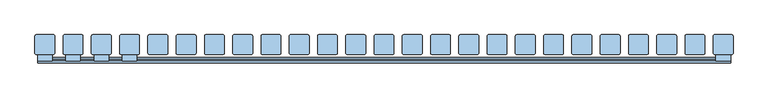
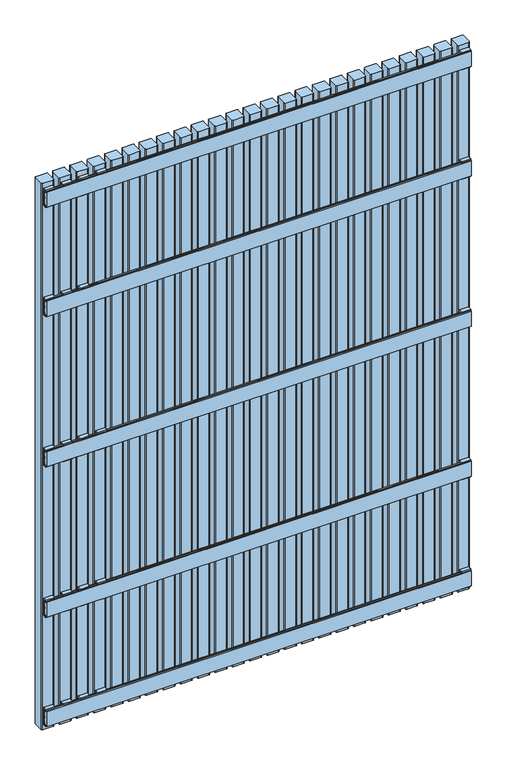
"""IFC4 building model written with IfcOpenShell, lengths in millimetres: window geometry."""

from ifc_helpers import new_model, si_unit, point, frame, frame_2d, origin, place, context, project, spatial, polyline, circle_curve, trimmed, segment, composite_curve, outline, extrude, source, transform, mapped, element, save


def window_5a049e01(model_context):
    return source(origin(), model_context, "Body", "SweptSolid", [
        extrude(outline(polyline([(110.1, 1126.5936804), (105.9, 1126.5936804), (105.9, 1122.5936804), (102.1, 1122.5936804), (102.1, 1130.5), (116.0, 1130.5), (116.0, 1067.5), (102.1, 1067.5), (102.1, 1075.4063196), (105.9, 1075.4063196), (105.9, 1071.4063196), (110.1, 1071.4063196), (110.1, 1126.5936804)])), frame((-555.5, 0.0, 0.0), z_axis=(1.0, 0.0, 0.0), x_axis=(0.0, 1.0, 0.0)), (0.0, 0.0, 1.0), 31.0),
        extrude(outline(polyline([(110.1, 576.5936804), (105.9, 576.5936804), (105.9, 572.5936804), (102.1, 572.5936804), (102.1, 580.5), (116.0, 580.5), (116.0, 517.5), (102.1, 517.5), (102.1, 525.4063196), (105.9, 525.4063196), (105.9, 521.4063196), (110.1, 521.4063196), (110.1, 576.5936804)])), frame((-555.5, 0.0, 0.0), z_axis=(1.0, 0.0, 0.0), x_axis=(0.0, 1.0, 0.0)), (0.0, 0.0, 1.0), 31.0),
        extrude(outline(polyline([(110.1, 2020.9063196), (110.1, 2076.0936804), (105.9, 2076.0936804), (105.9, 2072.0936804), (102.1, 2072.0936804), (102.1, 2080.0), (116.0, 2080.0), (116.0, 2017.0), (102.1, 2017.0), (102.1, 2024.9063196), (105.9, 2024.9063196), (105.9, 2020.9063196), (110.1, 2020.9063196)])), frame((-555.5, 0.0, 0.0), z_axis=(1.0, 0.0, 0.0), x_axis=(0.0, 1.0, 0.0)), (0.0, 0.0, 1.0), 31.0),
        extrude(outline(polyline([(110.1, 177.0936804), (105.9, 177.0936804), (105.9, 173.0936804), (102.1, 173.0936804), (102.1, 181.0), (116.0, 181.0), (116.0, 118.0), (102.1, 118.0), (102.1, 125.9063196), (105.9, 125.9063196), (105.9, 121.9063196), (110.1, 121.9063196), (110.1, 177.0936804)])), frame((-555.5, 0.0, 0.0), z_axis=(1.0, 0.0, 0.0), x_axis=(0.0, 1.0, 0.0)), (0.0, 0.0, 1.0), 31.0),
        extrude(outline(polyline([(110.1, 1676.5936804), (105.9, 1676.5936804), (105.9, 1672.5936804), (102.1, 1672.5936804), (102.1, 1680.5), (116.0, 1680.5), (116.0, 1617.5), (102.1, 1617.5), (102.1, 1625.4063196), (105.9, 1625.4063196), (105.9, 1621.4063196), (110.1, 1621.4063196), (110.1, 1676.5936804)])), frame((-615.5, 0.0, 0.0), z_axis=(1.0, 0.0, 0.0), x_axis=(0.0, 1.0, 0.0)), (0.0, 0.0, 1.0), 31.0),
        extrude(outline(polyline([(110.1, 1126.5936804), (105.9, 1126.5936804), (105.9, 1122.5936804), (102.1, 1122.5936804), (102.1, 1130.5), (116.0, 1130.5), (116.0, 1067.5), (102.1, 1067.5), (102.1, 1075.4063196), (105.9, 1075.4063196), (105.9, 1071.4063196), (110.1, 1071.4063196), (110.1, 1126.5936804)])), frame((-615.5, 0.0, 0.0), z_axis=(1.0, 0.0, 0.0), x_axis=(0.0, 1.0, 0.0)), (0.0, 0.0, 1.0), 31.0),
        extrude(outline(polyline([(110.1, 576.5936804), (105.9, 576.5936804), (105.9, 572.5936804), (102.1, 572.5936804), (102.1, 580.5), (116.0, 580.5), (116.0, 517.5), (102.1, 517.5), (102.1, 525.4063196), (105.9, 525.4063196), (105.9, 521.4063196), (110.1, 521.4063196), (110.1, 576.5936804)])), frame((-615.5, 0.0, 0.0), z_axis=(1.0, 0.0, 0.0), x_axis=(0.0, 1.0, 0.0)), (0.0, 0.0, 1.0), 31.0),
        extrude(outline(polyline([(110.1, 2020.9063196), (110.1, 2076.0936804), (105.9, 2076.0936804), (105.9, 2072.0936804), (102.1, 2072.0936804), (102.1, 2080.0), (116.0, 2080.0), (116.0, 2017.0), (102.1, 2017.0), (102.1, 2024.9063196), (105.9, 2024.9063196), (105.9, 2020.9063196), (110.1, 2020.9063196)])), frame((-615.5, 0.0, 0.0), z_axis=(1.0, 0.0, 0.0), x_axis=(0.0, 1.0, 0.0)), (0.0, 0.0, 1.0), 31.0),
        extrude(outline(polyline([(110.1, 177.0936804), (105.9, 177.0936804), (105.9, 173.0936804), (102.1, 173.0936804), (102.1, 181.0), (116.0, 181.0), (116.0, 118.0), (102.1, 118.0), (102.1, 125.9063196), (105.9, 125.9063196), (105.9, 121.9063196), (110.1, 121.9063196), (110.1, 177.0936804)])), frame((-615.5, 0.0, 0.0), z_axis=(1.0, 0.0, 0.0), x_axis=(0.0, 1.0, 0.0)), (0.0, 0.0, 1.0), 31.0),
        extrude(outline(polyline([(110.1, 1676.5936804), (105.9, 1676.5936804), (105.9, 1672.5936804), (102.1, 1672.5936804), (102.1, 1680.5), (116.0, 1680.5), (116.0, 1617.5), (102.1, 1617.5), (102.1, 1625.4063196), (105.9, 1625.4063196), (105.9, 1621.4063196), (110.1, 1621.4063196), (110.1, 1676.5936804)])), frame((-675.5, 0.0, 0.0), z_axis=(1.0, 0.0, 0.0), x_axis=(0.0, 1.0, 0.0)), (0.0, 0.0, 1.0), 31.0),
        extrude(outline(polyline([(110.1, 1126.5936804), (105.9, 1126.5936804), (105.9, 1122.5936804), (102.1, 1122.5936804), (102.1, 1130.5), (116.0, 1130.5), (116.0, 1067.5), (102.1, 1067.5), (102.1, 1075.4063196), (105.9, 1075.4063196), (105.9, 1071.4063196), (110.1, 1071.4063196), (110.1, 1126.5936804)])), frame((-675.5, 0.0, 0.0), z_axis=(1.0, 0.0, 0.0), x_axis=(0.0, 1.0, 0.0)), (0.0, 0.0, 1.0), 31.0),
        extrude(outline(polyline([(110.1, 576.5936804), (105.9, 576.5936804), (105.9, 572.5936804), (102.1, 572.5936804), (102.1, 580.5), (116.0, 580.5), (116.0, 517.5), (102.1, 517.5), (102.1, 525.4063196), (105.9, 525.4063196), (105.9, 521.4063196), (110.1, 521.4063196), (110.1, 576.5936804)])), frame((-675.5, 0.0, 0.0), z_axis=(1.0, 0.0, 0.0), x_axis=(0.0, 1.0, 0.0)), (0.0, 0.0, 1.0), 31.0),
        extrude(outline(polyline([(110.1, 2020.9063196), (110.1, 2076.0936804), (105.9, 2076.0936804), (105.9, 2072.0936804), (102.1, 2072.0936804), (102.1, 2080.0), (116.0, 2080.0), (116.0, 2017.0), (102.1, 2017.0), (102.1, 2024.9063196), (105.9, 2024.9063196), (105.9, 2020.9063196), (110.1, 2020.9063196)])), frame((-675.5, 0.0, 0.0), z_axis=(1.0, 0.0, 0.0), x_axis=(0.0, 1.0, 0.0)), (0.0, 0.0, 1.0), 31.0),
        extrude(outline(polyline([(110.1, 177.0936804), (105.9, 177.0936804), (105.9, 173.0936804), (102.1, 173.0936804), (102.1, 181.0), (116.0, 181.0), (116.0, 118.0), (102.1, 118.0), (102.1, 125.9063196), (105.9, 125.9063196), (105.9, 121.9063196), (110.1, 121.9063196), (110.1, 177.0936804)])), frame((-675.5, 0.0, 0.0), z_axis=(1.0, 0.0, 0.0), x_axis=(0.0, 1.0, 0.0)), (0.0, 0.0, 1.0), 31.0),
        extrude(outline(polyline([(110.1, 1621.4063196), (110.1, 1676.5936804), (105.9, 1676.5936804), (105.9, 1672.5936804), (102.1, 1672.5936804), (102.1, 1680.5), (116.0, 1680.5), (116.0, 1617.5), (102.1, 1617.5), (102.1, 1625.4063196), (105.9, 1625.4063196), (105.9, 1621.4063196), (110.1, 1621.4063196)])), frame((704.5, 0.0, 0.0), z_axis=(1.0, 0.0, 0.0), x_axis=(0.0, 1.0, 0.0)), (0.0, 0.0, 1.0), 31.0),
        extrude(outline(polyline([(110.1, 1071.4063196), (110.1, 1126.5936804), (105.9, 1126.5936804), (105.9, 1122.5936804), (102.1, 1122.5936804), (102.1, 1130.5), (116.0, 1130.5), (116.0, 1067.5), (102.1, 1067.5), (102.1, 1075.4063196), (105.9, 1075.4063196), (105.9, 1071.4063196), (110.1, 1071.4063196)])), frame((704.5, 0.0, 0.0), z_axis=(1.0, 0.0, 0.0), x_axis=(0.0, 1.0, 0.0)), (0.0, 0.0, 1.0), 31.0),
        extrude(outline(polyline([(110.1, 521.4063196), (110.1, 576.5936804), (105.9, 576.5936804), (105.9, 572.5936804), (102.1, 572.5936804), (102.1, 580.5), (116.0, 580.5), (116.0, 517.5), (102.1, 517.5), (102.1, 525.4063196), (105.9, 525.4063196), (105.9, 521.4063196), (110.1, 521.4063196)])), frame((704.5, 0.0, 0.0), z_axis=(1.0, 0.0, 0.0), x_axis=(0.0, 1.0, 0.0)), (0.0, 0.0, 1.0), 31.0),
        extrude(outline(polyline([(110.1, 2020.9063196), (110.1, 2076.0936804), (105.9, 2076.0936804), (105.9, 2072.0936804), (102.1, 2072.0936804), (102.1, 2080.0), (116.0, 2080.0), (116.0, 2017.0), (102.1, 2017.0), (102.1, 2024.9063196), (105.9, 2024.9063196), (105.9, 2020.9063196), (110.1, 2020.9063196)])), frame((704.5, 0.0, 0.0), z_axis=(1.0, 0.0, 0.0), x_axis=(0.0, 1.0, 0.0)), (0.0, 0.0, 1.0), 31.0),
        extrude(outline(polyline([(110.1, 177.0936804), (105.9, 177.0936804), (105.9, 173.0936804), (102.1, 173.0936804), (102.1, 181.0), (116.0, 181.0), (116.0, 118.0), (102.1, 118.0), (102.1, 125.9063196), (105.9, 125.9063196), (105.9, 121.9063196), (110.1, 121.9063196), (110.1, 177.0936804)])), frame((704.5, 0.0, 0.0), z_axis=(1.0, 0.0, 0.0), x_axis=(0.0, 1.0, 0.0)), (0.0, 0.0, 1.0), 31.0),
        extrude(outline(polyline([(110.1, 1621.4063196), (110.1, 1676.5936804), (105.9, 1676.5936804), (105.9, 1672.5936804), (102.1, 1672.5936804), (102.1, 1680.5), (116.0, 1680.5), (116.0, 1617.5), (102.1, 1617.5), (102.1, 1625.4063196), (105.9, 1625.4063196), (105.9, 1621.4063196), (110.1, 1621.4063196)])), frame((-735.5, 0.0, 0.0), z_axis=(1.0, 0.0, 0.0), x_axis=(0.0, 1.0, 0.0)), (0.0, 0.0, 1.0), 31.0),
        extrude(outline(polyline([(110.1, 1071.4063196), (110.1, 1126.5936804), (105.9, 1126.5936804), (105.9, 1122.5936804), (102.1, 1122.5936804), (102.1, 1130.5), (116.0, 1130.5), (116.0, 1067.5), (102.1, 1067.5), (102.1, 1075.4063196), (105.9, 1075.4063196), (105.9, 1071.4063196), (110.1, 1071.4063196)])), frame((-735.5, 0.0, 0.0), z_axis=(1.0, 0.0, 0.0), x_axis=(0.0, 1.0, 0.0)), (0.0, 0.0, 1.0), 31.0),
        extrude(outline(polyline([(110.1, 521.4063196), (110.1, 576.5936804), (105.9, 576.5936804), (105.9, 572.5936804), (102.1, 572.5936804), (102.1, 580.5), (116.0, 580.5), (116.0, 517.5), (102.1, 517.5), (102.1, 525.4063196), (105.9, 525.4063196), (105.9, 521.4063196), (110.1, 521.4063196)])), frame((-735.5, 0.0, 0.0), z_axis=(1.0, 0.0, 0.0), x_axis=(0.0, 1.0, 0.0)), (0.0, 0.0, 1.0), 31.0),
        extrude(outline(polyline([(110.1, 2020.9063196), (110.1, 2076.0936804), (105.9, 2076.0936804), (105.9, 2072.0936804), (102.1, 2072.0936804), (102.1, 2080.0), (116.0, 2080.0), (116.0, 2017.0), (102.1, 2017.0), (102.1, 2024.9063196), (105.9, 2024.9063196), (105.9, 2020.9063196), (110.1, 2020.9063196)])), frame((-735.5, 0.0, 0.0), z_axis=(1.0, 0.0, 0.0), x_axis=(0.0, 1.0, 0.0)), (0.0, 0.0, 1.0), 31.0),
        extrude(outline(polyline([(110.1, 177.0936804), (105.9, 177.0936804), (105.9, 173.0936804), (102.1, 173.0936804), (102.1, 181.0), (116.0, 181.0), (116.0, 118.0), (102.1, 118.0), (102.1, 125.9063196), (105.9, 125.9063196), (105.9, 121.9063196), (110.1, 121.9063196), (110.1, 177.0936804)])), frame((-735.5, 0.0, 0.0), z_axis=(1.0, 0.0, 0.0), x_axis=(0.0, 1.0, 0.0)), (0.0, 0.0, 1.0), 31.0),
        extrude(outline(polyline([(98.0, 1676.5063196), (102.0, 1676.5063196), (102.0, 1672.5063196), (106.0, 1672.5063196), (106.0, 1676.5063196), (110.0, 1676.5063196), (110.0, 1671.5063196), (107.0, 1671.5063196), (107.0, 1666.5063196), (110.0, 1666.5063196), (110.0, 1654.0063196), (107.0, 1654.0063196), (107.0, 1644.0063196), (110.0, 1644.0063196), (110.0, 1631.5063196), (107.0, 1631.5063196), (107.0, 1626.5063196), (110.0, 1626.5063196), (110.0, 1621.5063196), (106.0, 1621.5063196), (106.0, 1625.5063196), (102.0, 1625.5063196), (102.0, 1621.5063196), (98.0, 1621.5063196), (98.0, 1676.5063196)])), frame((-735.5, 0.0, 0.0), z_axis=(1.0, 0.0, 0.0), x_axis=(0.0, 1.0, 0.0)), (0.0, 0.0, 1.0), 1471.0),
        extrude(outline(polyline([(98.0, 1126.5063196), (102.0, 1126.5063196), (102.0, 1122.5063196), (106.0, 1122.5063196), (106.0, 1126.5063196), (110.0, 1126.5063196), (110.0, 1121.5063196), (107.0, 1121.5063196), (107.0, 1116.5063196), (110.0, 1116.5063196), (110.0, 1104.0063196), (107.0, 1104.0063196), (107.0, 1094.0063196), (110.0, 1094.0063196), (110.0, 1081.5063196), (107.0, 1081.5063196), (107.0, 1076.5063196), (110.0, 1076.5063196), (110.0, 1071.5063196), (106.0, 1071.5063196), (106.0, 1075.5063196), (102.0, 1075.5063196), (102.0, 1071.5063196), (98.0, 1071.5063196), (98.0, 1126.5063196)])), frame((-735.5, 0.0, 0.0), z_axis=(1.0, 0.0, 0.0), x_axis=(0.0, 1.0, 0.0)), (0.0, 0.0, 1.0), 1471.0),
        extrude(outline(polyline([(98.0, 576.5063196), (102.0, 576.5063196), (102.0, 572.5063196), (106.0, 572.5063196), (106.0, 576.5063196), (110.0, 576.5063196), (110.0, 571.5063196), (107.0, 571.5063196), (107.0, 566.5063196), (110.0, 566.5063196), (110.0, 554.0063196), (107.0, 554.0063196), (107.0, 544.0063196), (110.0, 544.0063196), (110.0, 531.5063196), (107.0, 531.5063196), (107.0, 526.5063196), (110.0, 526.5063196), (110.0, 521.5063196), (106.0, 521.5063196), (106.0, 525.5063196), (102.0, 525.5063196), (102.0, 521.5063196), (98.0, 521.5063196), (98.0, 576.5063196)])), frame((-735.5, 0.0, 0.0), z_axis=(1.0, 0.0, 0.0), x_axis=(0.0, 1.0, 0.0)), (0.0, 0.0, 1.0), 1471.0),
        extrude(outline(polyline([(98.0, 2076.0), (102.0, 2076.0), (102.0, 2072.0), (106.0, 2072.0), (106.0, 2076.0), (110.0, 2076.0), (110.0, 2071.0), (107.0, 2071.0), (107.0, 2066.0), (110.0, 2066.0), (110.0, 2053.5), (107.0, 2053.5), (107.0, 2043.5), (110.0, 2043.5), (110.0, 2031.0), (107.0, 2031.0), (107.0, 2026.0), (110.0, 2026.0), (110.0, 2021.0), (106.0, 2021.0), (106.0, 2025.0), (102.0, 2025.0), (102.0, 2021.0), (98.0, 2021.0), (98.0, 2076.0)])), frame((-735.5, 0.0, 0.0), z_axis=(1.0, 0.0, 0.0), x_axis=(0.0, 1.0, 0.0)), (0.0, 0.0, 1.0), 1471.0),
        extrude(outline(polyline([(98.0, 177.0), (102.0, 177.0), (102.0, 173.0), (106.0, 173.0), (106.0, 177.0), (110.0, 177.0), (110.0, 172.0), (107.0, 172.0), (107.0, 167.0), (110.0, 167.0), (110.0, 154.5), (107.0, 154.5), (107.0, 144.5), (110.0, 144.5), (110.0, 132.0), (107.0, 132.0), (107.0, 127.0), (110.0, 127.0), (110.0, 122.0), (106.0, 122.0), (106.0, 126.0), (102.0, 126.0), (102.0, 122.0), (98.0, 122.0), (98.0, 177.0)])), frame((-735.5, 0.0, 0.0), z_axis=(1.0, 0.0, 0.0), x_axis=(0.0, 1.0, 0.0)), (0.0, 0.0, 1.0), 1471.0),
        extrude(outline(composite_curve([segment(polyline([(740.995806, 155.0), (740.995806, 119.0)]), True, "CONTINUOUS"), segment(trimmed(circle_curve(frame_2d((737.995806, 119.0)), 3.0), [point((740.995806, 119.0))], [point((737.995806, 116.0))], False, "CARTESIAN"), True, "CONTINUOUS"), segment(polyline([(737.995806, 116.0), (701.995806, 116.0)]), True, "CONTINUOUS"), segment(trimmed(circle_curve(frame_2d((701.995806, 119.0)), 3.0), [point((701.995806, 116.0))], [point((698.995806, 119.0))], False, "CARTESIAN"), True, "CONTINUOUS"), segment(polyline([(698.995806, 119.0), (698.995806, 155.0)]), True, "CONTINUOUS"), segment(trimmed(circle_curve(frame_2d((701.995806, 155.0)), 3.0), [point((698.995806, 155.0))], [point((701.995806, 158.0))], False, "CARTESIAN"), True, "CONTINUOUS"), segment(polyline([(701.995806, 158.0), (737.995806, 158.0)]), True, "CONTINUOUS"), segment(trimmed(circle_curve(frame_2d((737.995806, 155.0)), 3.0), [point((737.995806, 158.0))], [point((740.995806, 155.0))], False, "CARTESIAN"), True, "CONTINUOUS")], self_intersect=False)), frame((0.0, 0.0, 100.0), z_axis=(0.0, 0.0, 1.0), x_axis=(1.0, 0.0, 0.0)), (0.0, 0.0, 1.0), 1998.0),
        extrude(outline(composite_curve([segment(polyline([(680.995806, 155.0), (680.995806, 119.0)]), True, "CONTINUOUS"), segment(trimmed(circle_curve(frame_2d((677.995806, 119.0)), 3.0), [point((680.995806, 119.0))], [point((677.995806, 116.0))], False, "CARTESIAN"), True, "CONTINUOUS"), segment(polyline([(677.995806, 116.0), (641.995806, 116.0)]), True, "CONTINUOUS"), segment(trimmed(circle_curve(frame_2d((641.995806, 119.0)), 3.0), [point((641.995806, 116.0))], [point((638.995806, 119.0))], False, "CARTESIAN"), True, "CONTINUOUS"), segment(polyline([(638.995806, 119.0), (638.995806, 155.0)]), True, "CONTINUOUS"), segment(trimmed(circle_curve(frame_2d((641.995806, 155.0)), 3.0), [point((638.995806, 155.0))], [point((641.995806, 158.0))], False, "CARTESIAN"), True, "CONTINUOUS"), segment(polyline([(641.995806, 158.0), (677.995806, 158.0)]), True, "CONTINUOUS"), segment(trimmed(circle_curve(frame_2d((677.995806, 155.0)), 3.0), [point((677.995806, 158.0))], [point((680.995806, 155.0))], False, "CARTESIAN"), True, "CONTINUOUS")], self_intersect=False)), frame((0.0, 0.0, 100.0), z_axis=(0.0, 0.0, 1.0), x_axis=(1.0, 0.0, 0.0)), (0.0, 0.0, 1.0), 1998.0),
        extrude(outline(composite_curve([segment(polyline([(620.995806, 155.0), (620.995806, 119.0)]), True, "CONTINUOUS"), segment(trimmed(circle_curve(frame_2d((617.995806, 119.0)), 3.0), [point((620.995806, 119.0))], [point((617.995806, 116.0))], False, "CARTESIAN"), True, "CONTINUOUS"), segment(polyline([(617.995806, 116.0), (581.995806, 116.0)]), True, "CONTINUOUS"), segment(trimmed(circle_curve(frame_2d((581.995806, 119.0)), 3.0), [point((581.995806, 116.0))], [point((578.995806, 119.0))], False, "CARTESIAN"), True, "CONTINUOUS"), segment(polyline([(578.995806, 119.0), (578.995806, 155.0)]), True, "CONTINUOUS"), segment(trimmed(circle_curve(frame_2d((581.995806, 155.0)), 3.0), [point((578.995806, 155.0))], [point((581.995806, 158.0))], False, "CARTESIAN"), True, "CONTINUOUS"), segment(polyline([(581.995806, 158.0), (617.995806, 158.0)]), True, "CONTINUOUS"), segment(trimmed(circle_curve(frame_2d((617.995806, 155.0)), 3.0), [point((617.995806, 158.0))], [point((620.995806, 155.0))], False, "CARTESIAN"), True, "CONTINUOUS")], self_intersect=False)), frame((0.0, 0.0, 100.0), z_axis=(0.0, 0.0, 1.0), x_axis=(1.0, 0.0, 0.0)), (0.0, 0.0, 1.0), 1998.0),
        extrude(outline(composite_curve([segment(polyline([(560.995806, 155.0), (560.995806, 119.0)]), True, "CONTINUOUS"), segment(trimmed(circle_curve(frame_2d((557.995806, 119.0)), 3.0), [point((560.995806, 119.0))], [point((557.995806, 116.0))], False, "CARTESIAN"), True, "CONTINUOUS"), segment(polyline([(557.995806, 116.0), (521.995806, 116.0)]), True, "CONTINUOUS"), segment(trimmed(circle_curve(frame_2d((521.995806, 119.0)), 3.0), [point((521.995806, 116.0))], [point((518.995806, 119.0))], False, "CARTESIAN"), True, "CONTINUOUS"), segment(polyline([(518.995806, 119.0), (518.995806, 155.0)]), True, "CONTINUOUS"), segment(trimmed(circle_curve(frame_2d((521.995806, 155.0)), 3.0), [point((518.995806, 155.0))], [point((521.995806, 158.0))], False, "CARTESIAN"), True, "CONTINUOUS"), segment(polyline([(521.995806, 158.0), (557.995806, 158.0)]), True, "CONTINUOUS"), segment(trimmed(circle_curve(frame_2d((557.995806, 155.0)), 3.0), [point((557.995806, 158.0))], [point((560.995806, 155.0))], False, "CARTESIAN"), True, "CONTINUOUS")], self_intersect=False)), frame((0.0, 0.0, 100.0), z_axis=(0.0, 0.0, 1.0), x_axis=(1.0, 0.0, 0.0)), (0.0, 0.0, 1.0), 1998.0),
        extrude(outline(composite_curve([segment(polyline([(500.995806, 155.0), (500.995806, 119.0)]), True, "CONTINUOUS"), segment(trimmed(circle_curve(frame_2d((497.995806, 119.0)), 3.0), [point((500.995806, 119.0))], [point((497.995806, 116.0))], False, "CARTESIAN"), True, "CONTINUOUS"), segment(polyline([(497.995806, 116.0), (461.995806, 116.0)]), True, "CONTINUOUS"), segment(trimmed(circle_curve(frame_2d((461.995806, 119.0)), 3.0), [point((461.995806, 116.0))], [point((458.995806, 119.0))], False, "CARTESIAN"), True, "CONTINUOUS"), segment(polyline([(458.995806, 119.0), (458.995806, 155.0)]), True, "CONTINUOUS"), segment(trimmed(circle_curve(frame_2d((461.995806, 155.0)), 3.0), [point((458.995806, 155.0))], [point((461.995806, 158.0))], False, "CARTESIAN"), True, "CONTINUOUS"), segment(polyline([(461.995806, 158.0), (497.995806, 158.0)]), True, "CONTINUOUS"), segment(trimmed(circle_curve(frame_2d((497.995806, 155.0)), 3.0), [point((497.995806, 158.0))], [point((500.995806, 155.0))], False, "CARTESIAN"), True, "CONTINUOUS")], self_intersect=False)), frame((0.0, 0.0, 100.0), z_axis=(0.0, 0.0, 1.0), x_axis=(1.0, 0.0, 0.0)), (0.0, 0.0, 1.0), 1998.0),
        extrude(outline(composite_curve([segment(polyline([(440.995806, 155.0), (440.995806, 119.0)]), True, "CONTINUOUS"), segment(trimmed(circle_curve(frame_2d((437.995806, 119.0)), 3.0), [point((440.995806, 119.0))], [point((437.995806, 116.0))], False, "CARTESIAN"), True, "CONTINUOUS"), segment(polyline([(437.995806, 116.0), (401.995806, 116.0)]), True, "CONTINUOUS"), segment(trimmed(circle_curve(frame_2d((401.995806, 119.0)), 3.0), [point((401.995806, 116.0))], [point((398.995806, 119.0))], False, "CARTESIAN"), True, "CONTINUOUS"), segment(polyline([(398.995806, 119.0), (398.995806, 155.0)]), True, "CONTINUOUS"), segment(trimmed(circle_curve(frame_2d((401.995806, 155.0)), 3.0), [point((398.995806, 155.0))], [point((401.995806, 158.0))], False, "CARTESIAN"), True, "CONTINUOUS"), segment(polyline([(401.995806, 158.0), (437.995806, 158.0)]), True, "CONTINUOUS"), segment(trimmed(circle_curve(frame_2d((437.995806, 155.0)), 3.0), [point((437.995806, 158.0))], [point((440.995806, 155.0))], False, "CARTESIAN"), True, "CONTINUOUS")], self_intersect=False)), frame((0.0, 0.0, 100.0), z_axis=(0.0, 0.0, 1.0), x_axis=(1.0, 0.0, 0.0)), (0.0, 0.0, 1.0), 1998.0),
        extrude(outline(composite_curve([segment(polyline([(380.995806, 155.0), (380.995806, 119.0)]), True, "CONTINUOUS"), segment(trimmed(circle_curve(frame_2d((377.995806, 119.0)), 3.0), [point((380.995806, 119.0))], [point((377.995806, 116.0))], False, "CARTESIAN"), True, "CONTINUOUS"), segment(polyline([(377.995806, 116.0), (341.995806, 116.0)]), True, "CONTINUOUS"), segment(trimmed(circle_curve(frame_2d((341.995806, 119.0)), 3.0), [point((341.995806, 116.0))], [point((338.995806, 119.0))], False, "CARTESIAN"), True, "CONTINUOUS"), segment(polyline([(338.995806, 119.0), (338.995806, 155.0)]), True, "CONTINUOUS"), segment(trimmed(circle_curve(frame_2d((341.995806, 155.0)), 3.0), [point((338.995806, 155.0))], [point((341.995806, 158.0))], False, "CARTESIAN"), True, "CONTINUOUS"), segment(polyline([(341.995806, 158.0), (377.995806, 158.0)]), True, "CONTINUOUS"), segment(trimmed(circle_curve(frame_2d((377.995806, 155.0)), 3.0), [point((377.995806, 158.0))], [point((380.995806, 155.0))], False, "CARTESIAN"), True, "CONTINUOUS")], self_intersect=False)), frame((0.0, 0.0, 100.0), z_axis=(0.0, 0.0, 1.0), x_axis=(1.0, 0.0, 0.0)), (0.0, 0.0, 1.0), 1998.0),
        extrude(outline(composite_curve([segment(polyline([(320.995806, 155.0), (320.995806, 119.0)]), True, "CONTINUOUS"), segment(trimmed(circle_curve(frame_2d((317.995806, 119.0)), 3.0), [point((320.995806, 119.0))], [point((317.995806, 116.0))], False, "CARTESIAN"), True, "CONTINUOUS"), segment(polyline([(317.995806, 116.0), (281.995806, 116.0)]), True, "CONTINUOUS"), segment(trimmed(circle_curve(frame_2d((281.995806, 119.0)), 3.0), [point((281.995806, 116.0))], [point((278.995806, 119.0))], False, "CARTESIAN"), True, "CONTINUOUS"), segment(polyline([(278.995806, 119.0), (278.995806, 155.0)]), True, "CONTINUOUS"), segment(trimmed(circle_curve(frame_2d((281.995806, 155.0)), 3.0), [point((278.995806, 155.0))], [point((281.995806, 158.0))], False, "CARTESIAN"), True, "CONTINUOUS"), segment(polyline([(281.995806, 158.0), (317.995806, 158.0)]), True, "CONTINUOUS"), segment(trimmed(circle_curve(frame_2d((317.995806, 155.0)), 3.0), [point((317.995806, 158.0))], [point((320.995806, 155.0))], False, "CARTESIAN"), True, "CONTINUOUS")], self_intersect=False)), frame((0.0, 0.0, 100.0), z_axis=(0.0, 0.0, 1.0), x_axis=(1.0, 0.0, 0.0)), (0.0, 0.0, 1.0), 1998.0),
        extrude(outline(composite_curve([segment(polyline([(260.995806, 155.0), (260.995806, 119.0)]), True, "CONTINUOUS"), segment(trimmed(circle_curve(frame_2d((257.995806, 119.0)), 3.0), [point((260.995806, 119.0))], [point((257.995806, 116.0))], False, "CARTESIAN"), True, "CONTINUOUS"), segment(polyline([(257.995806, 116.0), (221.995806, 116.0)]), True, "CONTINUOUS"), segment(trimmed(circle_curve(frame_2d((221.995806, 119.0)), 3.0), [point((221.995806, 116.0))], [point((218.995806, 119.0))], False, "CARTESIAN"), True, "CONTINUOUS"), segment(polyline([(218.995806, 119.0), (218.995806, 155.0)]), True, "CONTINUOUS"), segment(trimmed(circle_curve(frame_2d((221.995806, 155.0)), 3.0), [point((218.995806, 155.0))], [point((221.995806, 158.0))], False, "CARTESIAN"), True, "CONTINUOUS"), segment(polyline([(221.995806, 158.0), (257.995806, 158.0)]), True, "CONTINUOUS"), segment(trimmed(circle_curve(frame_2d((257.995806, 155.0)), 3.0), [point((257.995806, 158.0))], [point((260.995806, 155.0))], False, "CARTESIAN"), True, "CONTINUOUS")], self_intersect=False)), frame((0.0, 0.0, 100.0), z_axis=(0.0, 0.0, 1.0), x_axis=(1.0, 0.0, 0.0)), (0.0, 0.0, 1.0), 1998.0),
        extrude(outline(composite_curve([segment(polyline([(200.995806, 155.0), (200.995806, 119.0)]), True, "CONTINUOUS"), segment(trimmed(circle_curve(frame_2d((197.995806, 119.0)), 3.0), [point((200.995806, 119.0))], [point((197.995806, 116.0))], False, "CARTESIAN"), True, "CONTINUOUS"), segment(polyline([(197.995806, 116.0), (161.995806, 116.0)]), True, "CONTINUOUS"), segment(trimmed(circle_curve(frame_2d((161.995806, 119.0)), 3.0), [point((161.995806, 116.0))], [point((158.995806, 119.0))], False, "CARTESIAN"), True, "CONTINUOUS"), segment(polyline([(158.995806, 119.0), (158.995806, 155.0)]), True, "CONTINUOUS"), segment(trimmed(circle_curve(frame_2d((161.995806, 155.0)), 3.0), [point((158.995806, 155.0))], [point((161.995806, 158.0))], False, "CARTESIAN"), True, "CONTINUOUS"), segment(polyline([(161.995806, 158.0), (197.995806, 158.0)]), True, "CONTINUOUS"), segment(trimmed(circle_curve(frame_2d((197.995806, 155.0)), 3.0), [point((197.995806, 158.0))], [point((200.995806, 155.0))], False, "CARTESIAN"), True, "CONTINUOUS")], self_intersect=False)), frame((0.0, 0.0, 100.0), z_axis=(0.0, 0.0, 1.0), x_axis=(1.0, 0.0, 0.0)), (0.0, 0.0, 1.0), 1998.0),
        extrude(outline(composite_curve([segment(polyline([(140.995806, 155.0), (140.995806, 119.0)]), True, "CONTINUOUS"), segment(trimmed(circle_curve(frame_2d((137.995806, 119.0)), 3.0), [point((140.995806, 119.0))], [point((137.995806, 116.0))], False, "CARTESIAN"), True, "CONTINUOUS"), segment(polyline([(137.995806, 116.0), (101.995806, 116.0)]), True, "CONTINUOUS"), segment(trimmed(circle_curve(frame_2d((101.995806, 119.0)), 3.0), [point((101.995806, 116.0))], [point((98.995806, 119.0))], False, "CARTESIAN"), True, "CONTINUOUS"), segment(polyline([(98.995806, 119.0), (98.995806, 155.0)]), True, "CONTINUOUS"), segment(trimmed(circle_curve(frame_2d((101.995806, 155.0)), 3.0), [point((98.995806, 155.0))], [point((101.995806, 158.0))], False, "CARTESIAN"), True, "CONTINUOUS"), segment(polyline([(101.995806, 158.0), (137.995806, 158.0)]), True, "CONTINUOUS"), segment(trimmed(circle_curve(frame_2d((137.995806, 155.0)), 3.0), [point((137.995806, 158.0))], [point((140.995806, 155.0))], False, "CARTESIAN"), True, "CONTINUOUS")], self_intersect=False)), frame((0.0, 0.0, 100.0), z_axis=(0.0, 0.0, 1.0), x_axis=(1.0, 0.0, 0.0)), (0.0, 0.0, 1.0), 1998.0),
        extrude(outline(composite_curve([segment(polyline([(80.995806, 155.0), (80.995806, 119.0)]), True, "CONTINUOUS"), segment(trimmed(circle_curve(frame_2d((77.995806, 119.0)), 3.0), [point((80.995806, 119.0))], [point((77.995806, 116.0))], False, "CARTESIAN"), True, "CONTINUOUS"), segment(polyline([(77.995806, 116.0), (41.995806, 116.0)]), True, "CONTINUOUS"), segment(trimmed(circle_curve(frame_2d((41.995806, 119.0)), 3.0), [point((41.995806, 116.0))], [point((38.995806, 119.0))], False, "CARTESIAN"), True, "CONTINUOUS"), segment(polyline([(38.995806, 119.0), (38.995806, 155.0)]), True, "CONTINUOUS"), segment(trimmed(circle_curve(frame_2d((41.995806, 155.0)), 3.0), [point((38.995806, 155.0))], [point((41.995806, 158.0))], False, "CARTESIAN"), True, "CONTINUOUS"), segment(polyline([(41.995806, 158.0), (77.995806, 158.0)]), True, "CONTINUOUS"), segment(trimmed(circle_curve(frame_2d((77.995806, 155.0)), 3.0), [point((77.995806, 158.0))], [point((80.995806, 155.0))], False, "CARTESIAN"), True, "CONTINUOUS")], self_intersect=False)), frame((0.0, 0.0, 100.0), z_axis=(0.0, 0.0, 1.0), x_axis=(1.0, 0.0, 0.0)), (0.0, 0.0, 1.0), 1998.0),
        extrude(outline(composite_curve([segment(polyline([(20.995806, 155.0), (20.995806, 119.0)]), True, "CONTINUOUS"), segment(trimmed(circle_curve(frame_2d((17.995806, 119.0)), 3.0), [point((20.995806, 119.0))], [point((17.995806, 116.0))], False, "CARTESIAN"), True, "CONTINUOUS"), segment(polyline([(17.995806, 116.0), (-18.004194, 116.0)]), True, "CONTINUOUS"), segment(trimmed(circle_curve(frame_2d((-18.004194, 119.0)), 3.0), [point((-18.004194, 116.0))], [point((-21.004194, 119.0))], False, "CARTESIAN"), True, "CONTINUOUS"), segment(polyline([(-21.004194, 119.0), (-21.004194, 155.0)]), True, "CONTINUOUS"), segment(trimmed(circle_curve(frame_2d((-18.004194, 155.0)), 3.0), [point((-21.004194, 155.0))], [point((-18.004194, 158.0))], False, "CARTESIAN"), True, "CONTINUOUS"), segment(polyline([(-18.004194, 158.0), (17.995806, 158.0)]), True, "CONTINUOUS"), segment(trimmed(circle_curve(frame_2d((17.995806, 155.0)), 3.0), [point((17.995806, 158.0))], [point((20.995806, 155.0))], False, "CARTESIAN"), True, "CONTINUOUS")], self_intersect=False)), frame((0.0, 0.0, 100.0), z_axis=(0.0, 0.0, 1.0), x_axis=(1.0, 0.0, 0.0)), (0.0, 0.0, 1.0), 1998.0),
        extrude(outline(composite_curve([segment(polyline([(-39.004194, 155.0), (-39.004194, 119.0)]), True, "CONTINUOUS"), segment(trimmed(circle_curve(frame_2d((-42.004194, 119.0)), 3.0), [point((-39.004194, 119.0))], [point((-42.004194, 116.0))], False, "CARTESIAN"), True, "CONTINUOUS"), segment(polyline([(-42.004194, 116.0), (-78.004194, 116.0)]), True, "CONTINUOUS"), segment(trimmed(circle_curve(frame_2d((-78.004194, 119.0)), 3.0), [point((-78.004194, 116.0))], [point((-81.004194, 119.0))], False, "CARTESIAN"), True, "CONTINUOUS"), segment(polyline([(-81.004194, 119.0), (-81.004194, 155.0)]), True, "CONTINUOUS"), segment(trimmed(circle_curve(frame_2d((-78.004194, 155.0)), 3.0), [point((-81.004194, 155.0))], [point((-78.004194, 158.0))], False, "CARTESIAN"), True, "CONTINUOUS"), segment(polyline([(-78.004194, 158.0), (-42.004194, 158.0)]), True, "CONTINUOUS"), segment(trimmed(circle_curve(frame_2d((-42.004194, 155.0)), 3.0), [point((-42.004194, 158.0))], [point((-39.004194, 155.0))], False, "CARTESIAN"), True, "CONTINUOUS")], self_intersect=False)), frame((0.0, 0.0, 100.0), z_axis=(0.0, 0.0, 1.0), x_axis=(1.0, 0.0, 0.0)), (0.0, 0.0, 1.0), 1998.0),
        extrude(outline(composite_curve([segment(polyline([(-99.004194, 155.0), (-99.004194, 119.0)]), True, "CONTINUOUS"), segment(trimmed(circle_curve(frame_2d((-102.004194, 119.0)), 3.0), [point((-99.004194, 119.0))], [point((-102.004194, 116.0))], False, "CARTESIAN"), True, "CONTINUOUS"), segment(polyline([(-102.004194, 116.0), (-138.004194, 116.0)]), True, "CONTINUOUS"), segment(trimmed(circle_curve(frame_2d((-138.004194, 119.0)), 3.0), [point((-138.004194, 116.0))], [point((-141.004194, 119.0))], False, "CARTESIAN"), True, "CONTINUOUS"), segment(polyline([(-141.004194, 119.0), (-141.004194, 155.0)]), True, "CONTINUOUS"), segment(trimmed(circle_curve(frame_2d((-138.004194, 155.0)), 3.0), [point((-141.004194, 155.0))], [point((-138.004194, 158.0))], False, "CARTESIAN"), True, "CONTINUOUS"), segment(polyline([(-138.004194, 158.0), (-102.004194, 158.0)]), True, "CONTINUOUS"), segment(trimmed(circle_curve(frame_2d((-102.004194, 155.0)), 3.0), [point((-102.004194, 158.0))], [point((-99.004194, 155.0))], False, "CARTESIAN"), True, "CONTINUOUS")], self_intersect=False)), frame((0.0, 0.0, 100.0), z_axis=(0.0, 0.0, 1.0), x_axis=(1.0, 0.0, 0.0)), (0.0, 0.0, 1.0), 1998.0),
        extrude(outline(composite_curve([segment(polyline([(-159.004194, 155.0), (-159.004194, 119.0)]), True, "CONTINUOUS"), segment(trimmed(circle_curve(frame_2d((-162.004194, 119.0)), 3.0), [point((-159.004194, 119.0))], [point((-162.004194, 116.0))], False, "CARTESIAN"), True, "CONTINUOUS"), segment(polyline([(-162.004194, 116.0), (-198.004194, 116.0)]), True, "CONTINUOUS"), segment(trimmed(circle_curve(frame_2d((-198.004194, 119.0)), 3.0), [point((-198.004194, 116.0))], [point((-201.004194, 119.0))], False, "CARTESIAN"), True, "CONTINUOUS"), segment(polyline([(-201.004194, 119.0), (-201.004194, 155.0)]), True, "CONTINUOUS"), segment(trimmed(circle_curve(frame_2d((-198.004194, 155.0)), 3.0), [point((-201.004194, 155.0))], [point((-198.004194, 158.0))], False, "CARTESIAN"), True, "CONTINUOUS"), segment(polyline([(-198.004194, 158.0), (-162.004194, 158.0)]), True, "CONTINUOUS"), segment(trimmed(circle_curve(frame_2d((-162.004194, 155.0)), 3.0), [point((-162.004194, 158.0))], [point((-159.004194, 155.0))], False, "CARTESIAN"), True, "CONTINUOUS")], self_intersect=False)), frame((0.0, 0.0, 100.0), z_axis=(0.0, 0.0, 1.0), x_axis=(1.0, 0.0, 0.0)), (0.0, 0.0, 1.0), 1998.0),
        extrude(outline(composite_curve([segment(polyline([(-219.004194, 155.0), (-219.004194, 119.0)]), True, "CONTINUOUS"), segment(trimmed(circle_curve(frame_2d((-222.004194, 119.0)), 3.0), [point((-219.004194, 119.0))], [point((-222.004194, 116.0))], False, "CARTESIAN"), True, "CONTINUOUS"), segment(polyline([(-222.004194, 116.0), (-258.004194, 116.0)]), True, "CONTINUOUS"), segment(trimmed(circle_curve(frame_2d((-258.004194, 119.0)), 3.0), [point((-258.004194, 116.0))], [point((-261.004194, 119.0))], False, "CARTESIAN"), True, "CONTINUOUS"), segment(polyline([(-261.004194, 119.0), (-261.004194, 155.0)]), True, "CONTINUOUS"), segment(trimmed(circle_curve(frame_2d((-258.004194, 155.0)), 3.0), [point((-261.004194, 155.0))], [point((-258.004194, 158.0))], False, "CARTESIAN"), True, "CONTINUOUS"), segment(polyline([(-258.004194, 158.0), (-222.004194, 158.0)]), True, "CONTINUOUS"), segment(trimmed(circle_curve(frame_2d((-222.004194, 155.0)), 3.0), [point((-222.004194, 158.0))], [point((-219.004194, 155.0))], False, "CARTESIAN"), True, "CONTINUOUS")], self_intersect=False)), frame((0.0, 0.0, 100.0), z_axis=(0.0, 0.0, 1.0), x_axis=(1.0, 0.0, 0.0)), (0.0, 0.0, 1.0), 1998.0),
        extrude(outline(composite_curve([segment(polyline([(-279.004194, 155.0), (-279.004194, 119.0)]), True, "CONTINUOUS"), segment(trimmed(circle_curve(frame_2d((-282.004194, 119.0)), 3.0), [point((-279.004194, 119.0))], [point((-282.004194, 116.0))], False, "CARTESIAN"), True, "CONTINUOUS"), segment(polyline([(-282.004194, 116.0), (-318.004194, 116.0)]), True, "CONTINUOUS"), segment(trimmed(circle_curve(frame_2d((-318.004194, 119.0)), 3.0), [point((-318.004194, 116.0))], [point((-321.004194, 119.0))], False, "CARTESIAN"), True, "CONTINUOUS"), segment(polyline([(-321.004194, 119.0), (-321.004194, 155.0)]), True, "CONTINUOUS"), segment(trimmed(circle_curve(frame_2d((-318.004194, 155.0)), 3.0), [point((-321.004194, 155.0))], [point((-318.004194, 158.0))], False, "CARTESIAN"), True, "CONTINUOUS"), segment(polyline([(-318.004194, 158.0), (-282.004194, 158.0)]), True, "CONTINUOUS"), segment(trimmed(circle_curve(frame_2d((-282.004194, 155.0)), 3.0), [point((-282.004194, 158.0))], [point((-279.004194, 155.0))], False, "CARTESIAN"), True, "CONTINUOUS")], self_intersect=False)), frame((0.0, 0.0, 100.0), z_axis=(0.0, 0.0, 1.0), x_axis=(1.0, 0.0, 0.0)), (0.0, 0.0, 1.0), 1998.0),
        extrude(outline(composite_curve([segment(polyline([(-339.004194, 155.0), (-339.004194, 119.0)]), True, "CONTINUOUS"), segment(trimmed(circle_curve(frame_2d((-342.004194, 119.0)), 3.0), [point((-339.004194, 119.0))], [point((-342.004194, 116.0))], False, "CARTESIAN"), True, "CONTINUOUS"), segment(polyline([(-342.004194, 116.0), (-378.004194, 116.0)]), True, "CONTINUOUS"), segment(trimmed(circle_curve(frame_2d((-378.004194, 119.0)), 3.0), [point((-378.004194, 116.0))], [point((-381.004194, 119.0))], False, "CARTESIAN"), True, "CONTINUOUS"), segment(polyline([(-381.004194, 119.0), (-381.004194, 155.0)]), True, "CONTINUOUS"), segment(trimmed(circle_curve(frame_2d((-378.004194, 155.0)), 3.0), [point((-381.004194, 155.0))], [point((-378.004194, 158.0))], False, "CARTESIAN"), True, "CONTINUOUS"), segment(polyline([(-378.004194, 158.0), (-342.004194, 158.0)]), True, "CONTINUOUS"), segment(trimmed(circle_curve(frame_2d((-342.004194, 155.0)), 3.0), [point((-342.004194, 158.0))], [point((-339.004194, 155.0))], False, "CARTESIAN"), True, "CONTINUOUS")], self_intersect=False)), frame((0.0, 0.0, 100.0), z_axis=(0.0, 0.0, 1.0), x_axis=(1.0, 0.0, 0.0)), (0.0, 0.0, 1.0), 1998.0),
        extrude(outline(composite_curve([segment(polyline([(-399.004194, 155.0), (-399.004194, 119.0)]), True, "CONTINUOUS"), segment(trimmed(circle_curve(frame_2d((-402.004194, 119.0)), 3.0), [point((-399.004194, 119.0))], [point((-402.004194, 116.0))], False, "CARTESIAN"), True, "CONTINUOUS"), segment(polyline([(-402.004194, 116.0), (-438.004194, 116.0)]), True, "CONTINUOUS"), segment(trimmed(circle_curve(frame_2d((-438.004194, 119.0)), 3.0), [point((-438.004194, 116.0))], [point((-441.004194, 119.0))], False, "CARTESIAN"), True, "CONTINUOUS"), segment(polyline([(-441.004194, 119.0), (-441.004194, 155.0)]), True, "CONTINUOUS"), segment(trimmed(circle_curve(frame_2d((-438.004194, 155.0)), 3.0), [point((-441.004194, 155.0))], [point((-438.004194, 158.0))], False, "CARTESIAN"), True, "CONTINUOUS"), segment(polyline([(-438.004194, 158.0), (-402.004194, 158.0)]), True, "CONTINUOUS"), segment(trimmed(circle_curve(frame_2d((-402.004194, 155.0)), 3.0), [point((-402.004194, 158.0))], [point((-399.004194, 155.0))], False, "CARTESIAN"), True, "CONTINUOUS")], self_intersect=False)), frame((0.0, 0.0, 100.0), z_axis=(0.0, 0.0, 1.0), x_axis=(1.0, 0.0, 0.0)), (0.0, 0.0, 1.0), 1998.0),
        extrude(outline(composite_curve([segment(polyline([(-459.004194, 155.0), (-459.004194, 119.0)]), True, "CONTINUOUS"), segment(trimmed(circle_curve(frame_2d((-462.004194, 119.0)), 3.0), [point((-459.004194, 119.0))], [point((-462.004194, 116.0))], False, "CARTESIAN"), True, "CONTINUOUS"), segment(polyline([(-462.004194, 116.0), (-498.004194, 116.0)]), True, "CONTINUOUS"), segment(trimmed(circle_curve(frame_2d((-498.004194, 119.0)), 3.0), [point((-498.004194, 116.0))], [point((-501.004194, 119.0))], False, "CARTESIAN"), True, "CONTINUOUS"), segment(polyline([(-501.004194, 119.0), (-501.004194, 155.0)]), True, "CONTINUOUS"), segment(trimmed(circle_curve(frame_2d((-498.004194, 155.0)), 3.0), [point((-501.004194, 155.0))], [point((-498.004194, 158.0))], False, "CARTESIAN"), True, "CONTINUOUS"), segment(polyline([(-498.004194, 158.0), (-462.004194, 158.0)]), True, "CONTINUOUS"), segment(trimmed(circle_curve(frame_2d((-462.004194, 155.0)), 3.0), [point((-462.004194, 158.0))], [point((-459.004194, 155.0))], False, "CARTESIAN"), True, "CONTINUOUS")], self_intersect=False)), frame((0.0, 0.0, 100.0), z_axis=(0.0, 0.0, 1.0), x_axis=(1.0, 0.0, 0.0)), (0.0, 0.0, 1.0), 1998.0),
        extrude(outline(composite_curve([segment(polyline([(-519.004194, 155.0), (-519.004194, 119.0)]), True, "CONTINUOUS"), segment(trimmed(circle_curve(frame_2d((-522.004194, 119.0)), 3.0), [point((-519.004194, 119.0))], [point((-522.004194, 116.0))], False, "CARTESIAN"), True, "CONTINUOUS"), segment(polyline([(-522.004194, 116.0), (-558.004194, 116.0)]), True, "CONTINUOUS"), segment(trimmed(circle_curve(frame_2d((-558.004194, 119.0)), 3.0), [point((-558.004194, 116.0))], [point((-561.004194, 119.0))], False, "CARTESIAN"), True, "CONTINUOUS"), segment(polyline([(-561.004194, 119.0), (-561.004194, 155.0)]), True, "CONTINUOUS"), segment(trimmed(circle_curve(frame_2d((-558.004194, 155.0)), 3.0), [point((-561.004194, 155.0))], [point((-558.004194, 158.0))], False, "CARTESIAN"), True, "CONTINUOUS"), segment(polyline([(-558.004194, 158.0), (-522.004194, 158.0)]), True, "CONTINUOUS"), segment(trimmed(circle_curve(frame_2d((-522.004194, 155.0)), 3.0), [point((-522.004194, 158.0))], [point((-519.004194, 155.0))], False, "CARTESIAN"), True, "CONTINUOUS")], self_intersect=False)), frame((0.0, 0.0, 100.0), z_axis=(0.0, 0.0, 1.0), x_axis=(1.0, 0.0, 0.0)), (0.0, 0.0, 1.0), 1998.0),
        extrude(outline(composite_curve([segment(polyline([(-579.004194, 155.0), (-579.004194, 119.0)]), True, "CONTINUOUS"), segment(trimmed(circle_curve(frame_2d((-582.004194, 119.0)), 3.0), [point((-579.004194, 119.0))], [point((-582.004194, 116.0))], False, "CARTESIAN"), True, "CONTINUOUS"), segment(polyline([(-582.004194, 116.0), (-618.004194, 116.0)]), True, "CONTINUOUS"), segment(trimmed(circle_curve(frame_2d((-618.004194, 119.0)), 3.0), [point((-618.004194, 116.0))], [point((-621.004194, 119.0))], False, "CARTESIAN"), True, "CONTINUOUS"), segment(polyline([(-621.004194, 119.0), (-621.004194, 155.0)]), True, "CONTINUOUS"), segment(trimmed(circle_curve(frame_2d((-618.004194, 155.0)), 3.0), [point((-621.004194, 155.0))], [point((-618.004194, 158.0))], False, "CARTESIAN"), True, "CONTINUOUS"), segment(polyline([(-618.004194, 158.0), (-582.004194, 158.0)]), True, "CONTINUOUS"), segment(trimmed(circle_curve(frame_2d((-582.004194, 155.0)), 3.0), [point((-582.004194, 158.0))], [point((-579.004194, 155.0))], False, "CARTESIAN"), True, "CONTINUOUS")], self_intersect=False)), frame((0.0, 0.0, 100.0), z_axis=(0.0, 0.0, 1.0), x_axis=(1.0, 0.0, 0.0)), (0.0, 0.0, 1.0), 1998.0),
        extrude(outline(composite_curve([segment(polyline([(-639.004194, 155.0), (-639.004194, 119.0)]), True, "CONTINUOUS"), segment(trimmed(circle_curve(frame_2d((-642.004194, 119.0)), 3.0), [point((-639.004194, 119.0))], [point((-642.004194, 116.0))], False, "CARTESIAN"), True, "CONTINUOUS"), segment(polyline([(-642.004194, 116.0), (-678.004194, 116.0)]), True, "CONTINUOUS"), segment(trimmed(circle_curve(frame_2d((-678.004194, 119.0)), 3.0), [point((-678.004194, 116.0))], [point((-681.004194, 119.0))], False, "CARTESIAN"), True, "CONTINUOUS"), segment(polyline([(-681.004194, 119.0), (-681.004194, 155.0)]), True, "CONTINUOUS"), segment(trimmed(circle_curve(frame_2d((-678.004194, 155.0)), 3.0), [point((-681.004194, 155.0))], [point((-678.004194, 158.0))], False, "CARTESIAN"), True, "CONTINUOUS"), segment(polyline([(-678.004194, 158.0), (-642.004194, 158.0)]), True, "CONTINUOUS"), segment(trimmed(circle_curve(frame_2d((-642.004194, 155.0)), 3.0), [point((-642.004194, 158.0))], [point((-639.004194, 155.0))], False, "CARTESIAN"), True, "CONTINUOUS")], self_intersect=False)), frame((0.0, 0.0, 100.0), z_axis=(0.0, 0.0, 1.0), x_axis=(1.0, 0.0, 0.0)), (0.0, 0.0, 1.0), 1998.0),
        extrude(outline(composite_curve([segment(polyline([(-699.0, 155.0), (-699.0, 119.0)]), True, "CONTINUOUS"), segment(trimmed(circle_curve(frame_2d((-702.0, 119.0)), 3.0), [point((-699.0, 119.0))], [point((-702.0, 116.0))], False, "CARTESIAN"), True, "CONTINUOUS"), segment(polyline([(-702.0, 116.0), (-738.0, 116.0)]), True, "CONTINUOUS"), segment(trimmed(circle_curve(frame_2d((-738.0, 119.0)), 3.0), [point((-738.0, 116.0))], [point((-741.0, 119.0))], False, "CARTESIAN"), True, "CONTINUOUS"), segment(polyline([(-741.0, 119.0), (-741.0, 155.0)]), True, "CONTINUOUS"), segment(trimmed(circle_curve(frame_2d((-738.0, 155.0)), 3.0), [point((-741.0, 155.0))], [point((-738.0, 158.0))], False, "CARTESIAN"), True, "CONTINUOUS"), segment(polyline([(-738.0, 158.0), (-702.0, 158.0)]), True, "CONTINUOUS"), segment(trimmed(circle_curve(frame_2d((-702.0, 155.0)), 3.0), [point((-702.0, 158.0))], [point((-699.0, 155.0))], False, "CARTESIAN"), True, "CONTINUOUS")], self_intersect=False)), frame((0.0, 0.0, 100.0), z_axis=(0.0, 0.0, 1.0), x_axis=(1.0, 0.0, 0.0)), (0.0, 0.0, 1.0), 1998.0),
    ])


if __name__ == "__main__":
    model = new_model("IFC4")
    model_context = context("Model", 3, world=origin())
    ifc_project = project(units=[si_unit("LENGTHUNIT", "METRE", prefix="MILLI")], contexts=[model_context])
    site = spatial("IfcSite", under=ifc_project)
    building = spatial("IfcBuilding", under=site)
    placement = place(None, origin())
    window_shape = window_5a049e01(model_context)
    element("IfcWindow", 1, at=placement, inside=building, context=model_context, shape_type="MappedRepresentation", body=[
        mapped(window_shape, transform((0.0, 0.0, 0.0), x_axis=(1.0, 0.0, 0.0), y_axis=(0.0, 1.0, 0.0), z_axis=(0.0, 0.0, 1.0))),
    ])
    save(model, "model.ifc")
